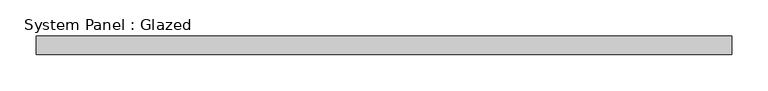
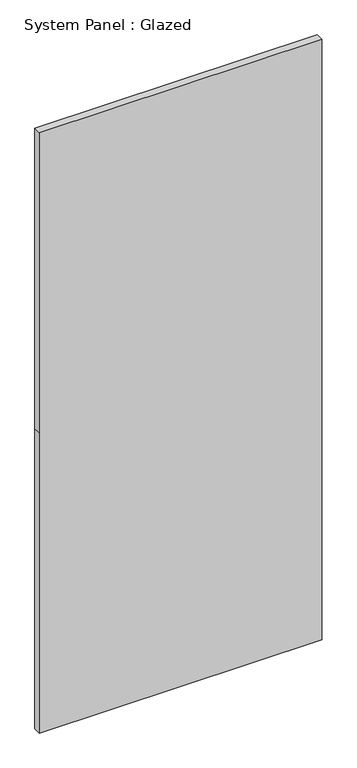
"""IFC4 building model written with IfcOpenShell, lengths in millimetres: plate geometry, System Panel : Glazed."""

from ifc_helpers import new_model, si_unit, frame, origin, place, context, project, spatial, polyline, outline, extrude, source, transform, mapped, element, save


def system_panel_glazed_2d6a1cd8(model_context):
    return source(origin(), model_context, "Body", "SweptSolid", [
        extrude(outline(polyline([(0.0, -478.0), (0.0, 478.0), (1074.0, 478.0), (2148.0, 478.0), (2148.0, -478.0), (1074.0, -478.0), (0.0, -478.0)])), frame((0.0, -12.5, 0.0), z_axis=(0.0, 1.0, 0.0), x_axis=(0.0, 0.0, 1.0)), (0.0, 0.0, 1.0), 25.0),
    ])


if __name__ == "__main__":
    model = new_model("IFC4")
    model_context = context("Model", 3, world=origin())
    ifc_project = project(units=[si_unit("LENGTHUNIT", "METRE", prefix="MILLI")], contexts=[model_context])
    site = spatial("IfcSite", under=ifc_project)
    building = spatial("IfcBuilding", under=site)
    placement = place(None, origin())
    system_panel_glazed_shape = system_panel_glazed_2d6a1cd8(model_context)
    element("IfcPlate", 1, ObjectType="System Panel : Glazed", at=placement, inside=building, context=model_context, shape_type="MappedRepresentation", body=[
        mapped(system_panel_glazed_shape, transform((0.0, 0.0, 0.0), x_axis=(1.0, 0.0, 0.0), y_axis=(0.0, 1.0, 0.0), z_axis=(0.0, 0.0, 1.0))),
    ])
    save(model, "model.ifc")
